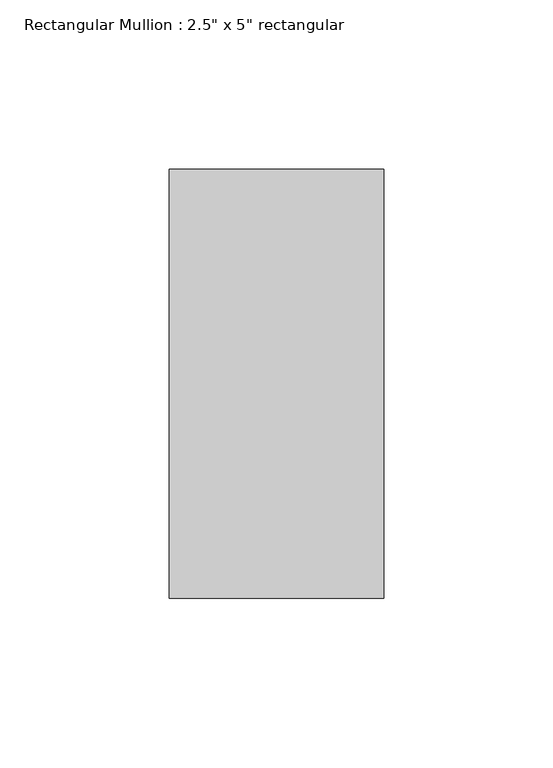
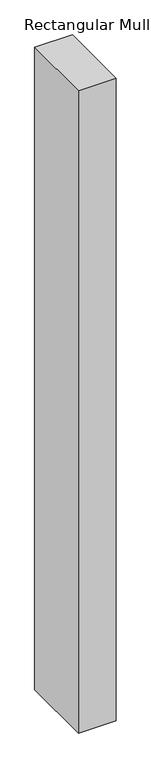
"""IFC4 building model written with IfcOpenShell, lengths in millimetres: member geometry."""

from ifc_helpers import new_model, si_unit, frame, origin, place, context, project, spatial, polyline, outline, extrude, source, transform, mapped, element, save


def member_2ec3af3d(model_context):
    return source(origin(), model_context, "Body", "SweptSolid", [
        extrude(outline(polyline([(31.75, 63.5), (31.75, -63.5), (-31.75, -63.5), (-31.75, 63.5), (31.75, 63.5)])), frame((0.0, 0.0, -1140.61875), z_axis=(0.0, 0.0, 1.0), x_axis=(1.0, 0.0, 0.0)), (0.0, 0.0, 1.0), 1140.61875),
    ])


if __name__ == "__main__":
    model = new_model("IFC4")
    model_context = context("Model", 3, world=origin())
    ifc_project = project(units=[si_unit("LENGTHUNIT", "METRE", prefix="MILLI")], contexts=[model_context])
    site = spatial("IfcSite", under=ifc_project)
    building = spatial("IfcBuilding", under=site)
    placement = place(None, origin())
    member_shape = member_2ec3af3d(model_context)
    element("IfcMember", 1, ObjectType="Rectangular Mullion : 2.5\" x 5\" rectangular", at=placement, inside=building, context=model_context, shape_type="MappedRepresentation", body=[
        mapped(member_shape, transform((0.0, 0.0, 0.0), x_axis=(1.0, 0.0, 0.0), y_axis=(0.0, 1.0, 0.0), z_axis=(0.0, 0.0, 1.0))),
    ])
    save(model, "model.ifc")
